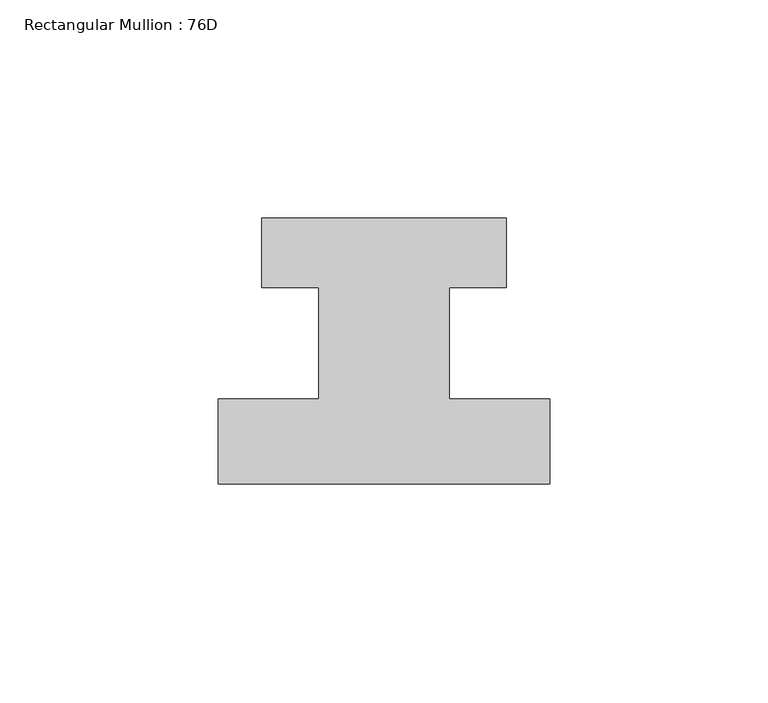
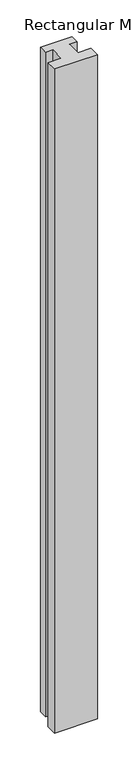
"""IFC4 building model written with IfcOpenShell, lengths in millimetres: member geometry, Rectangular Mullion : 76D."""

from ifc_helpers import new_model, si_unit, frame, origin, place, context, project, spatial, polyline, outline, extrude, source, transform, mapped, element, save


def rectangular_mullion_76d_d91abda9(model_context):
    return source(origin(), model_context, "Body", "SweptSolid", [
        extrude(outline(polyline([(38.0, -20.0), (-38.0, -20.0), (-38.0, -0.5), (-15.0, -0.5), (-15.0, 25.0), (-28.0, 25.0), (-28.0, 41.0), (28.0, 41.0), (28.0, 25.0), (15.0, 25.0), (15.0, -0.5), (38.0, -0.5), (38.0, -20.0)])), frame((0.0, 0.0, -1246.465707), z_axis=(0.0, 0.0, 1.0), x_axis=(1.0, 0.0, 0.0)), (0.0, 0.0, 1.0), 1246.465707),
    ])


if __name__ == "__main__":
    model = new_model("IFC4")
    model_context = context("Model", 3, world=origin())
    ifc_project = project(units=[si_unit("LENGTHUNIT", "METRE", prefix="MILLI")], contexts=[model_context])
    site = spatial("IfcSite", under=ifc_project)
    building = spatial("IfcBuilding", under=site)
    placement = place(None, origin())
    rectangular_mullion_76d_shape = rectangular_mullion_76d_d91abda9(model_context)
    element("IfcMember", 1, ObjectType="Rectangular Mullion : 76D", at=placement, inside=building, context=model_context, shape_type="MappedRepresentation", body=[
        mapped(rectangular_mullion_76d_shape, transform((0.0, 0.0, 0.0), x_axis=(1.0, 0.0, 0.0), y_axis=(0.0, 1.0, 0.0), z_axis=(0.0, 0.0, 1.0))),
    ])
    save(model, "model.ifc")
